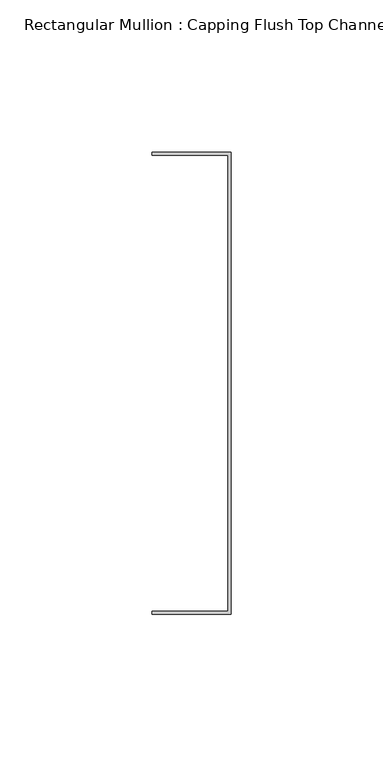
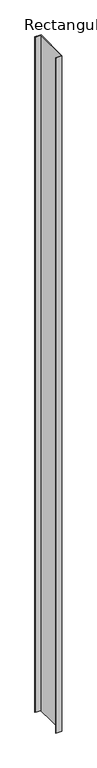
"""IFC4 building model written with IfcOpenShell, lengths in millimetres: member geometry, Rectangular Mullion : Capping Flush Top Channel 150."""

from ifc_helpers import new_model, si_unit, frame, origin, place, context, project, spatial, polyline, outline, extrude, source, transform, mapped, element, save


def rectangular_mullion_capping_flush_top_channel_150_618efe2f(model_context):
    return source(origin(), model_context, "Body", "SweptSolid", [
        extrude(outline(polyline([(-0.95, -75.0), (-0.95, 75.0), (-25.95, 75.0), (-25.95, 75.95), (0.0, 75.95), (0.0, -75.95), (-25.95, -75.95), (-25.95, -75.0), (-0.95, -75.0)])), frame((0.0, 0.0, -3000.0), z_axis=(0.0, 0.0, 1.0), x_axis=(1.0, 0.0, 0.0)), (0.0, 0.0, 1.0), 3000.0),
    ])


if __name__ == "__main__":
    model = new_model("IFC4")
    model_context = context("Model", 3, world=origin())
    ifc_project = project(units=[si_unit("LENGTHUNIT", "METRE", prefix="MILLI")], contexts=[model_context])
    site = spatial("IfcSite", under=ifc_project)
    building = spatial("IfcBuilding", under=site)
    placement = place(None, origin())
    rectangular_mullion_capping_flush_top_channel_150_shape = rectangular_mullion_capping_flush_top_channel_150_618efe2f(model_context)
    element("IfcMember", 1, ObjectType="Rectangular Mullion : Capping Flush Top Channel 150", at=placement, inside=building, context=model_context, shape_type="MappedRepresentation", body=[
        mapped(rectangular_mullion_capping_flush_top_channel_150_shape, transform((0.0, 0.0, 0.0), x_axis=(1.0, 0.0, 0.0), y_axis=(0.0, 1.0, 0.0), z_axis=(0.0, 0.0, 1.0))),
    ])
    save(model, "model.ifc")
